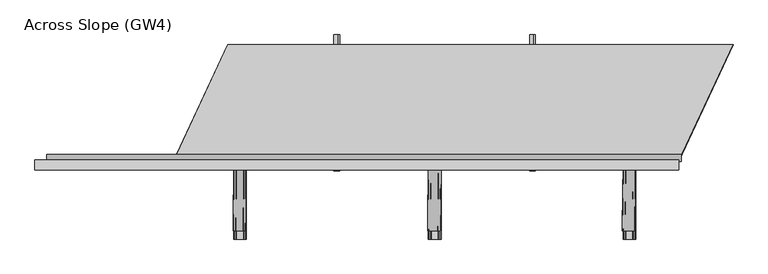
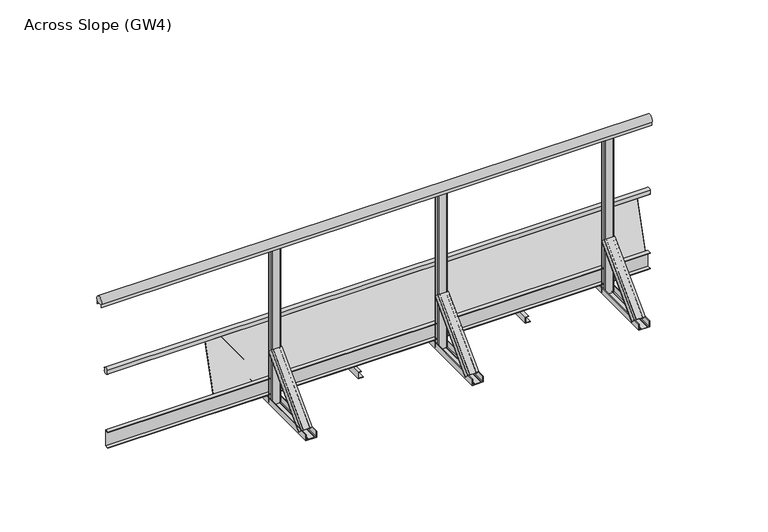
"""IFC4 building model written with IfcOpenShell, lengths in millimetres: proxy geometry, Across Slope (GW4)."""

import ifcopenshell
import ifcopenshell.guid

model = None  # the IFC model being written
_history = None  # IfcOwnerHistory: only IFC2X3 demands one
_inside = {}  # id of a spatial element -> (the spatial element, [elements in it])
_under = {}  # id of a project, library or spatial element -> (it, [spatial elements below it])
_declared = {}  # id of a project -> (the project, [libraries it declares])
_typed = {}  # id of a type object -> (the type object, [elements of that type])
_made_of = {}  # id of a material, layer set ... -> (it, [elements and type objects made of it])


def new_model(schema):
    """Start an empty IFC model of exactly this schema.

    Asked for "IFC4X3", IfcOpenShell would pick the latest addendum, in which some entities
    have other attributes; the version numbers below select the first issue.
    IFC2X3 requires an IfcOwnerHistory on every rooted entity: one is made here for all.
    """
    global model, _history
    if schema == "IFC4X3":
        model = ifcopenshell.file(schema_version=(4, 3, 0, 0))
    else:
        model = ifcopenshell.file(schema=schema)
    _inside.clear()
    _under.clear()
    _declared.clear()
    _typed.clear()
    _made_of.clear()
    _history = None
    if model.schema == "IFC2X3":
        org = make("IfcOrganization", Name="unknown")
        user = make(
            "IfcPersonAndOrganization",
            ThePerson=make("IfcPerson", FamilyName="unknown"),
            TheOrganization=org,
        )
        app = make(
            "IfcApplication",
            ApplicationDeveloper=org,
            Version="unknown",
            ApplicationFullName="unknown",
            ApplicationIdentifier="unknown",
        )
        _history = make(
            "IfcOwnerHistory",
            OwningUser=user,
            OwningApplication=app,
            ChangeAction="ADDED",
            CreationDate=0,
        )
    return model


def make(cls, **values):
    """One entity of the class cls with the attributes given. An attribute that is None is left unset."""
    return model.create_entity(
        cls, **{name: value for name, value in values.items() if value is not None}
    )


def rooted(cls, **values):
    """An entity with a GlobalId (a new one), such as an element, a storey or a relation."""
    return make(cls, GlobalId=ifcopenshell.guid.new(), OwnerHistory=_history, **values)


def si_unit(unit_type, name, prefix=None):
    """IfcSIUnit, for example si_unit("LENGTHUNIT", "METRE", prefix="MILLI")."""
    return make("IfcSIUnit", UnitType=unit_type, Prefix=prefix, Name=name)


def assignment(units):
    """IfcUnitAssignment: the units of a project."""
    return None if units is None else make("IfcUnitAssignment", Units=units)


def point(xyz):
    """IfcCartesianPoint."""
    return None if xyz is None else make("IfcCartesianPoint", Coordinates=xyz)


def direction(xyz):
    """IfcDirection."""
    return None if xyz is None else make("IfcDirection", DirectionRatios=xyz)


def frame(location, z_axis=None, x_axis=None):
    """IfcAxis2Placement3D, a coordinate frame: its origin and axes. An axis left out is left unset."""
    return make(
        "IfcAxis2Placement3D",
        Location=point(location),
        Axis=direction(z_axis),
        RefDirection=direction(x_axis),
    )


def frame_2d(location, x_axis=None):
    """IfcAxis2Placement2D, a coordinate frame in the plane: its origin and x axis."""
    return make(
        "IfcAxis2Placement2D", Location=point(location), RefDirection=direction(x_axis)
    )


def origin():
    """The frame at (0, 0, 0) with its axes left unset."""
    return frame((0.0, 0.0, 0.0))


def origin_with_axes():
    """The frame at (0, 0, 0) with the z axis (0, 0, 1) and the x axis (1, 0, 0) written out."""
    return frame((0.0, 0.0, 0.0), z_axis=(0.0, 0.0, 1.0), x_axis=(1.0, 0.0, 0.0))


def place(relative_to, where):
    """IfcLocalPlacement: puts the frame where relative to a parent placement (None: the world)."""
    return make(
        "IfcLocalPlacement", PlacementRelTo=relative_to, RelativePlacement=where
    )


def context(
    kind, dimensions, precision=None, world=None, true_north=None, identifier=None
):
    """IfcGeometricRepresentationContext, for example the 3D "Model" context."""
    return make(
        "IfcGeometricRepresentationContext",
        ContextIdentifier=identifier,
        ContextType=kind,
        CoordinateSpaceDimension=dimensions,
        Precision=precision,
        WorldCoordinateSystem=world,
        TrueNorth=true_north,
    )


def project(units=None, contexts=None):
    """IfcProject with its units and contexts."""
    return rooted(
        "IfcProject",
        Name="project",
        RepresentationContexts=contexts,
        UnitsInContext=assignment(units),
    )


def spatial(cls, under=None, at=None, **own):
    """A site, building, storey or space (cls), placed at a placement, below another one or the project."""
    s = rooted(cls, ObjectPlacement=at, **own)
    if under is not None:
        _under.setdefault(under.id(), (under, []))[1].append(s)
    return s


def polyline(points):
    """IfcPolyline through the points."""
    return make("IfcPolyline", Points=[point(p) for p in points])


def circle_curve(where, radius):
    """IfcCircle in the frame where."""
    return make("IfcCircle", Position=where, Radius=radius)


def trimmed(basis, trim1, trim2, sense, master):
    """IfcTrimmedCurve: the piece of a basis curve between two trims."""
    return make(
        "IfcTrimmedCurve",
        BasisCurve=basis,
        Trim1=trim1,
        Trim2=trim2,
        SenseAgreement=sense,
        MasterRepresentation=master,
    )


def segment(curve, same_sense, transition):
    """IfcCompositeCurveSegment."""
    return make(
        "IfcCompositeCurveSegment",
        Transition=transition,
        SameSense=same_sense,
        ParentCurve=curve,
    )


def composite_curve(segments, self_intersect=None):
    """IfcCompositeCurve: segments joined end to end."""
    return make("IfcCompositeCurve", Segments=segments, SelfIntersect=self_intersect)


def outline(outer, holes=None, kind="AREA"):
    """IfcArbitraryClosedProfileDef: a profile drawn as a closed curve; with holes, ...WithVoids."""
    if holes is None:
        return make("IfcArbitraryClosedProfileDef", ProfileType=kind, OuterCurve=outer)
    return make(
        "IfcArbitraryProfileDefWithVoids",
        ProfileType=kind,
        OuterCurve=outer,
        InnerCurves=holes,
    )


def extrude(swept, where, along, depth):
    """IfcExtrudedAreaSolid: the profile swept, set in the frame where, extruded along a direction by depth."""
    return make(
        "IfcExtrudedAreaSolid",
        SweptArea=swept,
        Position=where,
        ExtrudedDirection=direction(along),
        Depth=depth,
    )


def shape(context_of_items, identifier, shape_type, items):
    """IfcShapeRepresentation: the items that make up one representation, for example the "Body"."""
    return make(
        "IfcShapeRepresentation",
        ContextOfItems=context_of_items,
        RepresentationIdentifier=identifier,
        RepresentationType=shape_type,
        Items=items,
    )


def source(mapping_origin, context_of_items, identifier, shape_type, items):
    """IfcRepresentationMap: a shape defined once, which mapped items show again and again."""
    return make(
        "IfcRepresentationMap",
        MappingOrigin=mapping_origin,
        MappedRepresentation=shape(context_of_items, identifier, shape_type, items),
    )


def transform(
    local_origin,
    x_axis=None,
    y_axis=None,
    z_axis=None,
    scale=None,
    scale2=None,
    scale3=None,
    uniform=True,
):
    """IfcCartesianTransformationOperator3D, or its non-uniform kind. x_axis, y_axis, z_axis: its Axis1, 2, 3."""
    if uniform:
        return make(
            "IfcCartesianTransformationOperator3D",
            Axis1=direction(x_axis),
            Axis2=direction(y_axis),
            LocalOrigin=point(local_origin),
            Scale=scale,
            Axis3=direction(z_axis),
        )
    return make(
        "IfcCartesianTransformationOperator3DnonUniform",
        Axis1=direction(x_axis),
        Axis2=direction(y_axis),
        LocalOrigin=point(local_origin),
        Scale=scale,
        Axis3=direction(z_axis),
        Scale2=scale2,
        Scale3=scale3,
    )


def mapped(mapping_source, mapping_target):
    """IfcMappedItem: shows the shape of a source again, moved by a transform."""
    return make(
        "IfcMappedItem", MappingSource=mapping_source, MappingTarget=mapping_target
    )


def made_of(thing, what):
    """Note that an element or type object is made of a material, layer set ...; save() writes the relation."""
    if what is not None:
        _made_of.setdefault(what.id(), (what, []))[1].append(thing)
    return thing


def element(
    cls,
    number,
    at=None,
    inside=None,
    cuts=None,
    type_object=None,
    material=None,
    context=None,
    identifier="Body",
    shape_type=None,
    held_by="IfcProductDefinitionShape",
    body=None,
    shapes=None,
    **own,
):
    """One element of the class cls, such as IfcWall. Its Tag is "e" and its number.

    at: its placement. inside: the storey or other place that contains it. cuts: it is an
    opening in that element (IfcRelVoidsElement). A single representation is given by context,
    identifier, shape_type and body (its items); several are given by shapes. held_by: the class
    of the entity that holds the representations. save() writes the other relations.
    """
    e = rooted(cls, Tag="e%d" % number, ObjectPlacement=at, **own)
    if body is not None:
        shapes = [shape(context, identifier, shape_type, body)]
    if shapes is not None:
        e.Representation = make(held_by, Representations=shapes)
    if inside is not None:
        _inside.setdefault(inside.id(), (inside, []))[1].append(e)
    if cuts is not None:
        rooted(
            "IfcRelVoidsElement", RelatingBuildingElement=cuts, RelatedOpeningElement=e
        )
    if type_object is not None:
        _typed.setdefault(type_object.id(), (type_object, []))[1].append(e)
    return made_of(e, material)


def aggregate(whole, parts):
    """IfcRelAggregates: a whole, such as a stair, and the parts it consists of."""
    return rooted("IfcRelAggregates", RelatingObject=whole, RelatedObjects=parts)


def save(model, path):
    """Write the relations noted so far, then the file.

    IfcRelAggregates (storeys below a building ...), IfcRelContainedInSpatialStructure (elements
    in a storey), IfcRelDefinesByType, IfcRelAssociatesMaterial and IfcRelDeclares: one each for
    every whole, place, type object, material and project.
    """
    for whole, parts in _under.values():
        aggregate(whole, parts)
    for where, things in _inside.values():
        rooted(
            "IfcRelContainedInSpatialStructure",
            RelatedElements=things,
            RelatingStructure=where,
        )
    for kind, things in _typed.values():
        rooted("IfcRelDefinesByType", RelatedObjects=things, RelatingType=kind)
    for what, things in _made_of.values():
        rooted("IfcRelAssociatesMaterial", RelatedObjects=things, RelatingMaterial=what)
    for by, libraries in _declared.values():
        rooted("IfcRelDeclares", RelatingContext=by, RelatedDefinitions=libraries)
    model.write(path)


def plane_surface(at):
    """IfcPlane: the flat surface through the origin of the frame at, square to its z axis."""
    return make("IfcPlane", Position=at)


def extruded_surface(curve, direction_of_extrusion, depth):
    """IfcSurfaceOfLinearExtrusion: the curve pushed along a direction by depth."""
    return make(
        "IfcSurfaceOfLinearExtrusion",
        SweptCurve=make("IfcArbitraryOpenProfileDef", ProfileType="CURVE", Curve=curve),
        ExtrudedDirection=direction(direction_of_extrusion),
        Depth=depth,
    )


def advanced_brep(points, edges, surfaces, faces):
    """IfcAdvancedBrep: a solid bounded by faces that lie on surfaces and meet in shared edges.

    An edge is (start, end): straight between two places in points (the first is 0);
    or (start, end, curve); or (start, end, curve, False) where it runs against its curve.
    A face is (place in surfaces, loops), or (place, loops, False) where it looks against
    its surface's normal. A loop lists edges by number (the first is 1), with a minus sign
    where the edge is run from its end to its start. The first loop is the outer one.
    """
    corners = [point(p) for p in points]
    vertices = [make("IfcVertexPoint", VertexGeometry=c) for c in corners]
    made = []
    for start, end, *more in edges:
        made.append(
            make(
                "IfcEdgeCurve",
                EdgeStart=vertices[start],
                EdgeEnd=vertices[end],
                EdgeGeometry=more[0] if more else make("IfcPolyline", Points=[corners[start], corners[end]]),
                SameSense=more[1] if len(more) > 1 else True,
            )
        )
    hull = []
    for where, loops, *sense in faces:
        bounds = []
        for j, loop in enumerate(loops):
            ring = [make("IfcOrientedEdge", EdgeElement=made[abs(k) - 1], Orientation=k > 0) for k in loop]
            bounds.append(
                make(
                    "IfcFaceOuterBound" if j == 0 else "IfcFaceBound",
                    Bound=make("IfcEdgeLoop", EdgeList=ring),
                    Orientation=True,
                )
            )
        hull.append(make("IfcAdvancedFace", Bounds=bounds, FaceSurface=surfaces[where], SameSense=sense[0] if sense else True))
    return make("IfcAdvancedBrep", Outer=make("IfcClosedShell", CfsFaces=hull))


def across_slope_gw4_8147a9d6(model_context):
    return source(origin(), model_context, "Body", "SolidModel", [
        extrude(outline(polyline([(-622.0, 63.0), (-622.0, 66.0), (-600.0, 66.0), (-600.0, 160.0), (-622.0, 160.0), (-622.0, 163.0), (-597.0, 163.0), (-597.0, 63.0), (-622.0, 63.0)])), frame((-660.0, 0.0, 0.0), z_axis=(1.0, 0.0, 0.0), x_axis=(0.0, 1.0, 0.0)), (0.0, 0.0, 1.0), 3252.9381096),
        extrude(outline(composite_curve([segment(trimmed(circle_curve(frame_2d((-584.287505, 528.0)), 20.0), [point((-565.7, 520.617273))], [point((-600.0, 515.6259343))], False, "CARTESIAN"), True, "CONTINUOUS"), segment(polyline([(-600.0, 515.6259343), (-600.0, 540.3740657)]), True, "CONTINUOUS"), segment(trimmed(circle_curve(frame_2d((-584.287505, 528.0)), 20.0), [point((-600.0, 540.3740657))], [point((-565.7, 535.382727))], False, "CARTESIAN"), True, "CONTINUOUS"), segment(polyline([(-565.7, 535.382727), (-569.7, 535.382727), (-569.7, 520.617273), (-565.7, 520.617273)]), True, "CONTINUOUS")], self_intersect=False)), frame((-650.0, 0.0, 0.0), z_axis=(1.0, 0.0, 0.0), x_axis=(0.0, 1.0, 0.0)), (0.0, 0.0, 1.0), 3257.9381096),
        extrude(outline(composite_curve([segment(trimmed(circle_curve(frame_2d((-619.0, 1015.0)), 25.0), [point((-640.0, 1001.43534))], [point((-598.0, 1001.43534))], False, "CARTESIAN"), True, "CONTINUOUS"), segment(polyline([(-598.0, 1001.43534), (-598.0, 983.0), (-599.0, 983.0), (-599.0, 998.0), (-639.0, 998.0), (-639.0, 983.0), (-640.0, 983.0), (-640.0, 1001.43534)]), True, "CONTINUOUS")], self_intersect=False)), frame((-710.0, 0.0, 0.0), z_axis=(1.0, 0.0, 0.0), x_axis=(0.0, 1.0, 0.0)), (0.0, 0.0, 1.0), 3302.9381096),
        extrude(outline(polyline([(2e-07, 1858.2035822), (2.0000002, 1858.2035822), (2.0000002, 1830.2035822), (38.0000002, 1830.2035822), (38.0000002, 1848.2035822), (40.0000002, 1848.2035822), (40.0000002, 1828.2035822), (2e-07, 1828.2035822), (2e-07, 1858.2035822)])), frame((0.0, -650.0, 0.0), z_axis=(0.0, 1.0, 0.0), x_axis=(0.0, 0.0, 1.0)), (0.0, 0.0, 1.0), 700.0),
        extrude(outline(polyline([(2e-07, 854.7345274), (2.0000002, 854.7345274), (2.0000002, 826.7345274), (38.0000002, 826.7345274), (38.0000002, 844.7345274), (40.0000002, 844.7345274), (40.0000002, 824.7345274), (2e-07, 824.7345274), (2e-07, 854.7345274)])), frame((0.0, -650.0, 0.0), z_axis=(0.0, 1.0, 0.0), x_axis=(0.0, 0.0, 1.0)), (0.0, 0.0, 1.0), 700.0),
        extrude(outline(composite_curve([segment(trimmed(circle_curve(frame_2d((1364.4690548, -605.0)), 5.0), [point((1364.4690548, -600.0))], [point((1369.4690548, -605.0))], False, "CARTESIAN"), True, "CONTINUOUS"), segment(polyline([(1369.4690548, -605.0), (1369.4690548, -633.0)]), True, "CONTINUOUS"), segment(trimmed(circle_curve(frame_2d((1364.4690548, -633.0)), 5.0), [point((1369.4690548, -633.0))], [point((1364.4690548, -638.0))], False, "CARTESIAN"), True, "CONTINUOUS"), segment(polyline([(1364.4690548, -638.0), (1318.4690548, -638.0)]), True, "CONTINUOUS"), segment(trimmed(circle_curve(frame_2d((1318.4690548, -633.0)), 5.0), [point((1318.4690548, -638.0))], [point((1313.4690548, -633.0))], False, "CARTESIAN"), True, "CONTINUOUS"), segment(polyline([(1313.4690548, -633.0), (1313.4690548, -605.0)]), True, "CONTINUOUS"), segment(trimmed(circle_curve(frame_2d((1318.4690548, -605.0)), 5.0), [point((1313.4690548, -605.0))], [point((1318.4690548, -600.0))], False, "CARTESIAN"), True, "CONTINUOUS"), segment(polyline([(1318.4690548, -600.0), (1364.4690548, -600.0)]), True, "CONTINUOUS")], self_intersect=False)), origin_with_axes(), (0.0, 0.0, 1.0), 998.0),
        advanced_brep(
        [(1305.9690548, -956.2087394, 38.0), (1305.9690548, -930.3993419, 12.1906025), (1308.9690548, -930.3993419, 12.1906025), (1308.9690548, -954.0874191, 35.8786797), (1318.9690548, -954.0874191, 35.8786797), (1318.9690548, -952.3196521, 34.1109127), (1319.9690548, -952.3196521, 34.1109127), (1319.9690548, -954.0874191, 35.8786797), (1356.9690548, -954.0874191, 35.8786797), (1356.9690548, -952.3196521, 34.1109127), (1357.9690548, -952.3196521, 34.1109127), (1357.9690548, -954.0874191, 35.8786797), (1367.9690548, -954.0874191, 35.8786797), (1367.9690548, -930.3993419, 12.1906025), (1370.9690548, -930.3993419, 12.1906025), (1370.9690548, -956.2087394, 38.0), (1308.9690548, -638.0106879, 356.1980516), (1373.9690548, -638.0106879, 356.1980516), (1373.9690548, -612.2012904, 330.3886541), (1370.9690548, -612.2012904, 330.3886541), (1370.9690548, -635.8893676, 354.0767312), (1360.9690548, -635.8893676, 354.0767312), (1360.9690548, -634.1216006, 352.3089643), (1359.9690548, -634.1216006, 352.3089643), (1359.9690548, -635.8893676, 354.0767312), (1322.9690548, -635.8893676, 354.0767312), (1322.9690548, -634.1216006, 352.3089643), (1321.9690548, -634.1216006, 352.3089643), (1321.9690548, -635.8893676, 354.0767312), (1311.9690548, -635.8893676, 354.0767312), (1311.9690548, -612.2012904, 330.3886541), (1308.9690548, -612.2012904, 330.3886541)],
        [
            (0, 1),
            (1, 2, circle_curve(frame((1307.4690548, -930.3993419, 12.1906025), z_axis=(0.0, -0.7071067811865434, -0.7071067811865518), x_axis=(0.0, 0.7071067811865518, -0.7071067811865434)), 1.5)),
            (2, 3),
            (3, 4),
            (4, 5),
            (5, 6, circle_curve(frame((1319.4690548, -952.3196521, 34.1109127), z_axis=(0.0, -0.7071067811865434, -0.7071067811865518), x_axis=(0.0, 0.7071067811865518, -0.7071067811865434)), 0.5)),
            (6, 7),
            (7, 8),
            (8, 9),
            (9, 10, circle_curve(frame((1357.4690548, -952.3196521, 34.1109127), z_axis=(0.0, -0.7071067811865434, -0.7071067811865518), x_axis=(0.0, 0.7071067811865518, -0.7071067811865434)), 0.5)),
            (10, 11),
            (11, 12),
            (12, 13),
            (13, 14, circle_curve(frame((1369.4690548, -930.3993419, 12.1906025), z_axis=(0.0, -0.7071067811865434, -0.7071067811865518), x_axis=(0.0, 0.7071067811865518, -0.7071067811865434)), 1.5)),
            (14, 15),
            (15, 0),
            (16, 17),
            (17, 18),
            (18, 19, circle_curve(frame((1372.4690548, -612.2012904, 330.3886541), z_axis=(0.0, 0.7071067811865434, 0.7071067811865518), x_axis=(0.0, 0.7071067811865518, -0.7071067811865434)), 1.5)),
            (19, 20),
            (20, 21),
            (21, 22),
            (22, 23, circle_curve(frame((1360.4690548, -634.1216006, 352.3089643), z_axis=(0.0, 0.7071067811865434, 0.7071067811865518), x_axis=(0.0, 0.7071067811865518, -0.7071067811865434)), 0.5)),
            (23, 24),
            (24, 25),
            (25, 26),
            (26, 27, circle_curve(frame((1322.4690548, -634.1216006, 352.3089643), z_axis=(0.0, 0.7071067811865434, 0.7071067811865518), x_axis=(0.0, 0.7071067811865518, -0.7071067811865434)), 0.5)),
            (27, 28),
            (28, 29),
            (29, 30),
            (30, 31, circle_curve(frame((1310.4690548, -612.2012904, 330.3886541), z_axis=(0.0, 0.7071067811865434, 0.7071067811865518), x_axis=(0.0, 0.7071067811865518, -0.7071067811865434)), 1.5)),
            (31, 16),
            (31, 1),
            (0, 16),
            (30, 2),
            (29, 3),
            (28, 4),
            (27, 5),
            (26, 6),
            (25, 7),
            (24, 8),
            (23, 9),
            (22, 10),
            (21, 11),
            (20, 12),
            (19, 13),
            (18, 14),
            (17, 15),
        ],
        [
            plane_surface(frame((1338.4690548, -947.9886231, 29.7798837), z_axis=(0.0, -0.7071067811865431, -0.7071067811865519), x_axis=(0.0, 0.7071067811865519, -0.7071067811865431))),
            plane_surface(frame((1341.4690548, -629.7905716, 347.9779352), z_axis=(0.0, 0.7071067811865432, 0.7071067811865518), x_axis=(0.0, 0.7071067811865518, -0.7071067811865432))),
            plane_surface(frame((1308.9690548, -625.1059891, 343.2933528), z_axis=(-0.9999777785184911, 0.004713940454842056, 0.00471394045484199), x_axis=(0.0, 0.7071067811865519, -0.7071067811865431))),
            extruded_surface(trimmed(circle_curve(frame((1310.4690548, -612.2012904, 330.3886541), z_axis=(0.0, -0.7071067811865434, -0.7071067811865518), x_axis=(0.0, 0.7071067811865518, -0.7071067811865434)), 1.5), [point((1308.9690548, -612.2012904, 330.3886541))], [point((1311.9690548, -612.2012904, 330.3886541))], True, "CARTESIAN"), (-3.0, -318.1980515, -318.1980516), 450.0099999115941),
            plane_surface(frame((1311.9690548, -624.045329, 342.2326926), z_axis=(0.9999777785184913, -0.004713940454842056, -0.004713940454841989), x_axis=(0.0, -0.707106781186552, 0.7071067811865432))),
            plane_surface(frame((1316.9690548, -635.8893676, 354.0767312), z_axis=(0.0, 0.7071067811865522, -0.7071067811865428), x_axis=(1.0, 0.0, 0.0))),
            plane_surface(frame((1321.9690548, -635.0054841, 353.1928478), z_axis=(-0.9999777785184911, 0.004713940454842032, 0.004713940454842015), x_axis=(0.0, 0.7071067811865557, -0.7071067811865394))),
            extruded_surface(trimmed(circle_curve(frame((1322.4690548, -634.1216006, 352.3089643), z_axis=(0.0, -0.7071067811865434, -0.7071067811865518), x_axis=(0.0, 0.7071067811865518, -0.7071067811865434)), 0.5), [point((1321.9690548, -634.1216006, 352.3089643))], [point((1322.9690548, -634.1216006, 352.3089643))], True, "CARTESIAN"), (-3.0, -318.1980515, -318.1980516), 450.0099999115941),
            plane_surface(frame((1322.9690548, -635.0054841, 353.1928478), z_axis=(0.9999777785184911, -0.004713940454842046, -0.004713940454842029), x_axis=(0.0, -0.7071067811865557, 0.7071067811865394))),
            plane_surface(frame((1341.4690548, -635.8893676, 354.0767312), z_axis=(0.0, 0.7071067811865522, -0.7071067811865428), x_axis=(1.0, 0.0, 0.0))),
            plane_surface(frame((1359.9690548, -635.0054841, 353.1928478), z_axis=(-0.9999777785184911, 0.004713940454842039, 0.004713940454842022), x_axis=(0.0, 0.7071067811865557, -0.7071067811865394))),
            extruded_surface(trimmed(circle_curve(frame((1360.4690548, -634.1216006, 352.3089643), z_axis=(0.0, -0.7071067811865434, -0.7071067811865518), x_axis=(0.0, 0.7071067811865518, -0.7071067811865434)), 0.5), [point((1359.9690548, -634.1216006, 352.3089643))], [point((1360.9690548, -634.1216006, 352.3089643))], True, "CARTESIAN"), (-3.0, -318.1980515, -318.1980516), 450.0099999115941),
            plane_surface(frame((1360.9690548, -635.0054841, 353.1928478), z_axis=(0.9999777785184911, -0.004713940454842066, -0.004713940454841993), x_axis=(0.0, -0.7071067811865515, 0.7071067811865436))),
            plane_surface(frame((1365.9690548, -635.8893676, 354.0767312), z_axis=(0.0, 0.707106781186552, -0.707106781186543), x_axis=(1.0, 0.0, 0.0))),
            plane_surface(frame((1370.9690548, -624.045329, 342.2326926), z_axis=(-0.9999777785184913, 0.004713940454842063, 0.004713940454841996), x_axis=(0.0, 0.707106781186552, -0.7071067811865432))),
            extruded_surface(trimmed(circle_curve(frame((1372.4690548, -612.2012904, 330.3886541), z_axis=(0.0, -0.7071067811865434, -0.7071067811865518), x_axis=(0.0, 0.7071067811865518, -0.7071067811865434)), 1.5), [point((1370.9690548, -612.2012904, 330.3886541))], [point((1373.9690548, -612.2012904, 330.3886541))], True, "CARTESIAN"), (-3.0, -318.1980515, -318.1980516), 450.0099999115941),
            plane_surface(frame((1373.9690548, -625.1059891, 343.2933528), z_axis=(0.9999777785184911, -0.004713940454842065, -0.0047139404548419955), x_axis=(0.0, -0.7071067811865517, 0.7071067811865434))),
            plane_surface(frame((1341.4690548, -638.0106879, 356.1980516), z_axis=(0.0, -0.7071067811865523, 0.7071067811865427), x_axis=(-1.0, 0.0, 0.0))),
        ],
        [
            (0, [[1, 2, 3, 4, 5, 6, 7, 8, 9, 10, 11, 12, 13, 14, 15, 16]]),
            (1, [[17, 18, 19, 20, 21, 22, 23, 24, 25, 26, 27, 28, 29, 30, 31, 32]]),
            (2, [[-32, 33, -1, 34]]),
            (3, [[-31, 35, -2, -33]]),
            (4, [[-30, 36, -3, -35]]),
            (5, [[-29, 37, -4, -36]]),
            (6, [[-28, 38, -5, -37]]),
            (7, [[-27, 39, -6, -38]]),
            (8, [[-26, 40, -7, -39]]),
            (9, [[-25, 41, -8, -40]]),
            (10, [[-24, 42, -9, -41]]),
            (11, [[-23, 43, -10, -42]]),
            (12, [[-22, 44, -11, -43]]),
            (13, [[-21, 45, -12, -44]]),
            (14, [[-20, 46, -13, -45]]),
            (15, [[-19, 47, -14, -46]]),
            (16, [[-18, 48, -15, -47]]),
            (17, [[-17, -34, -16, -48]]),
        ],
    ),
        extrude(outline(composite_curve([segment(polyline([(0.0, 1308.9690548), (0.0, 1373.9690548), (36.5, 1373.9690548)]), True, "CONTINUOUS"), segment(trimmed(circle_curve(frame_2d((36.5, 1372.4690548)), 1.5), [point((36.5, 1373.9690548))], [point((36.5, 1370.9690548))], False, "CARTESIAN"), True, "CONTINUOUS"), segment(polyline([(36.5, 1370.9690548), (3.0, 1370.9690548), (3.0, 1360.9690548), (5.5, 1360.9690548)]), True, "CONTINUOUS"), segment(trimmed(circle_curve(frame_2d((5.5, 1360.4690548)), 0.5), [point((5.5, 1360.9690548))], [point((5.5, 1359.9690548))], False, "CARTESIAN"), True, "CONTINUOUS"), segment(polyline([(5.5, 1359.9690548), (3.0, 1359.9690548), (3.0, 1322.9690548), (5.5, 1322.9690548)]), True, "CONTINUOUS"), segment(trimmed(circle_curve(frame_2d((5.5, 1322.4690548)), 0.5), [point((5.5, 1322.9690548))], [point((5.5, 1321.9690548))], False, "CARTESIAN"), True, "CONTINUOUS"), segment(polyline([(5.5, 1321.9690548), (3.0, 1321.9690548), (3.0, 1311.9690548), (36.5, 1311.9690548)]), True, "CONTINUOUS"), segment(trimmed(circle_curve(frame_2d((36.5, 1310.4690548)), 1.5), [point((36.5, 1311.9690548))], [point((36.5, 1308.9690548))], False, "CARTESIAN"), True, "CONTINUOUS"), segment(polyline([(36.5, 1308.9690548), (0.0, 1308.9690548)]), True, "CONTINUOUS")], self_intersect=False)), frame((0.0, -1000.0, 0.0), z_axis=(0.0, 1.0, 0.0), x_axis=(0.0, 0.0, 1.0)), (0.0, 0.0, 1.0), 1000.0),
        extrude(outline(composite_curve([segment(trimmed(circle_curve(frame_2d((2363.4381096, -605.0)), 5.0), [point((2363.4381096, -600.0))], [point((2368.4381096, -605.0))], False, "CARTESIAN"), True, "CONTINUOUS"), segment(polyline([(2368.4381096, -605.0), (2368.4381096, -633.0)]), True, "CONTINUOUS"), segment(trimmed(circle_curve(frame_2d((2363.4381096, -633.0)), 5.0), [point((2368.4381096, -633.0))], [point((2363.4381096, -638.0))], False, "CARTESIAN"), True, "CONTINUOUS"), segment(polyline([(2363.4381096, -638.0), (2317.4381096, -638.0)]), True, "CONTINUOUS"), segment(trimmed(circle_curve(frame_2d((2317.4381096, -633.0)), 5.0), [point((2317.4381096, -638.0))], [point((2312.4381096, -633.0))], False, "CARTESIAN"), True, "CONTINUOUS"), segment(polyline([(2312.4381096, -633.0), (2312.4381096, -605.0)]), True, "CONTINUOUS"), segment(trimmed(circle_curve(frame_2d((2317.4381096, -605.0)), 5.0), [point((2312.4381096, -605.0))], [point((2317.4381096, -600.0))], False, "CARTESIAN"), True, "CONTINUOUS"), segment(polyline([(2317.4381096, -600.0), (2363.4381096, -600.0)]), True, "CONTINUOUS")], self_intersect=False)), origin_with_axes(), (0.0, 0.0, 1.0), 998.0),
        advanced_brep(
        [(2304.9381096, -956.2087394, 38.0), (2304.9381096, -930.3993419, 12.1906025), (2307.9381096, -930.3993419, 12.1906025), (2307.9381096, -954.0874191, 35.8786797), (2317.9381096, -954.0874191, 35.8786797), (2317.9381096, -952.3196521, 34.1109127), (2318.9381096, -952.3196521, 34.1109127), (2318.9381096, -954.0874191, 35.8786797), (2355.9381096, -954.0874191, 35.8786797), (2355.9381096, -952.3196521, 34.1109127), (2356.9381096, -952.3196521, 34.1109127), (2356.9381096, -954.0874191, 35.8786797), (2366.9381096, -954.0874191, 35.8786797), (2366.9381096, -930.3993419, 12.1906025), (2369.9381096, -930.3993419, 12.1906025), (2369.9381096, -956.2087394, 38.0), (2307.9381096, -638.0106879, 356.1980516), (2372.9381096, -638.0106879, 356.1980516), (2372.9381096, -612.2012904, 330.3886541), (2369.9381096, -612.2012904, 330.3886541), (2369.9381096, -635.8893676, 354.0767312), (2359.9381096, -635.8893676, 354.0767312), (2359.9381096, -634.1216006, 352.3089643), (2358.9381096, -634.1216006, 352.3089643), (2358.9381096, -635.8893676, 354.0767312), (2321.9381096, -635.8893676, 354.0767312), (2321.9381096, -634.1216006, 352.3089643), (2320.9381096, -634.1216006, 352.3089643), (2320.9381096, -635.8893676, 354.0767312), (2310.9381096, -635.8893676, 354.0767312), (2310.9381096, -612.2012904, 330.3886541), (2307.9381096, -612.2012904, 330.3886541)],
        [
            (0, 1),
            (1, 2, circle_curve(frame((2306.4381096, -930.3993419, 12.1906025), z_axis=(0.0, -0.7071067811865434, -0.7071067811865518), x_axis=(0.0, 0.7071067811865518, -0.7071067811865434)), 1.5)),
            (2, 3),
            (3, 4),
            (4, 5),
            (5, 6, circle_curve(frame((2318.4381096, -952.3196521, 34.1109127), z_axis=(0.0, -0.7071067811865434, -0.7071067811865518), x_axis=(0.0, 0.7071067811865518, -0.7071067811865434)), 0.5)),
            (6, 7),
            (7, 8),
            (8, 9),
            (9, 10, circle_curve(frame((2356.4381096, -952.3196521, 34.1109127), z_axis=(0.0, -0.7071067811865434, -0.7071067811865518), x_axis=(0.0, 0.7071067811865518, -0.7071067811865434)), 0.5)),
            (10, 11),
            (11, 12),
            (12, 13),
            (13, 14, circle_curve(frame((2368.4381096, -930.3993419, 12.1906025), z_axis=(0.0, -0.7071067811865434, -0.7071067811865518), x_axis=(0.0, 0.7071067811865518, -0.7071067811865434)), 1.5)),
            (14, 15),
            (15, 0),
            (16, 17),
            (17, 18),
            (18, 19, circle_curve(frame((2371.4381096, -612.2012904, 330.3886541), z_axis=(0.0, 0.7071067811865434, 0.7071067811865518), x_axis=(0.0, 0.7071067811865518, -0.7071067811865434)), 1.5)),
            (19, 20),
            (20, 21),
            (21, 22),
            (22, 23, circle_curve(frame((2359.4381096, -634.1216006, 352.3089643), z_axis=(0.0, 0.7071067811865434, 0.7071067811865518), x_axis=(0.0, 0.7071067811865518, -0.7071067811865434)), 0.5)),
            (23, 24),
            (24, 25),
            (25, 26),
            (26, 27, circle_curve(frame((2321.4381096, -634.1216006, 352.3089643), z_axis=(0.0, 0.7071067811865434, 0.7071067811865518), x_axis=(0.0, 0.7071067811865518, -0.7071067811865434)), 0.5)),
            (27, 28),
            (28, 29),
            (29, 30),
            (30, 31, circle_curve(frame((2309.4381096, -612.2012904, 330.3886541), z_axis=(0.0, 0.7071067811865434, 0.7071067811865518), x_axis=(0.0, 0.7071067811865518, -0.7071067811865434)), 1.5)),
            (31, 16),
            (31, 1),
            (0, 16),
            (30, 2),
            (29, 3),
            (28, 4),
            (27, 5),
            (26, 6),
            (25, 7),
            (24, 8),
            (23, 9),
            (22, 10),
            (21, 11),
            (20, 12),
            (19, 13),
            (18, 14),
            (17, 15),
        ],
        [
            plane_surface(frame((2337.4381096, -947.9886231, 29.7798837), z_axis=(0.0, -0.7071067811865431, -0.7071067811865519), x_axis=(0.0, 0.7071067811865519, -0.7071067811865431))),
            plane_surface(frame((2340.4381096, -629.7905716, 347.9779352), z_axis=(0.0, 0.7071067811865432, 0.7071067811865518), x_axis=(0.0, 0.7071067811865518, -0.7071067811865432))),
            plane_surface(frame((2307.9381096, -625.1059891, 343.2933528), z_axis=(-0.9999777785184911, 0.004713940454842056, 0.00471394045484199), x_axis=(0.0, 0.7071067811865519, -0.7071067811865431))),
            extruded_surface(trimmed(circle_curve(frame((2309.4381096, -612.2012904, 330.3886541), z_axis=(0.0, -0.7071067811865434, -0.7071067811865518), x_axis=(0.0, 0.7071067811865518, -0.7071067811865434)), 1.5), [point((2307.9381096, -612.2012904, 330.3886541))], [point((2310.9381096, -612.2012904, 330.3886541))], True, "CARTESIAN"), (-3.0, -318.1980515, -318.1980516), 450.0099999115941),
            plane_surface(frame((2310.9381096, -624.045329, 342.2326926), z_axis=(0.9999777785184913, -0.004713940454842056, -0.004713940454841989), x_axis=(0.0, -0.707106781186552, 0.7071067811865432))),
            plane_surface(frame((2315.9381096, -635.8893676, 354.0767312), z_axis=(0.0, 0.7071067811865522, -0.7071067811865428), x_axis=(1.0, 0.0, 0.0))),
            plane_surface(frame((2320.9381096, -635.0054841, 353.1928478), z_axis=(-0.9999777785184911, 0.004713940454842032, 0.004713940454842015), x_axis=(0.0, 0.7071067811865557, -0.7071067811865394))),
            extruded_surface(trimmed(circle_curve(frame((2321.4381096, -634.1216006, 352.3089643), z_axis=(0.0, -0.7071067811865434, -0.7071067811865518), x_axis=(0.0, 0.7071067811865518, -0.7071067811865434)), 0.5), [point((2320.9381096, -634.1216006, 352.3089643))], [point((2321.9381096, -634.1216006, 352.3089643))], True, "CARTESIAN"), (-3.0, -318.1980515, -318.1980516), 450.0099999115941),
            plane_surface(frame((2321.9381096, -635.0054841, 353.1928478), z_axis=(0.9999777785184911, -0.004713940454842046, -0.004713940454842029), x_axis=(0.0, -0.7071067811865557, 0.7071067811865394))),
            plane_surface(frame((2340.4381096, -635.8893676, 354.0767312), z_axis=(0.0, 0.7071067811865522, -0.7071067811865428), x_axis=(1.0, 0.0, 0.0))),
            plane_surface(frame((2358.9381096, -635.0054841, 353.1928478), z_axis=(-0.9999777785184911, 0.004713940454842039, 0.004713940454842022), x_axis=(0.0, 0.7071067811865557, -0.7071067811865394))),
            extruded_surface(trimmed(circle_curve(frame((2359.4381096, -634.1216006, 352.3089643), z_axis=(0.0, -0.7071067811865434, -0.7071067811865518), x_axis=(0.0, 0.7071067811865518, -0.7071067811865434)), 0.5), [point((2358.9381096, -634.1216006, 352.3089643))], [point((2359.9381096, -634.1216006, 352.3089643))], True, "CARTESIAN"), (-3.0, -318.1980515, -318.1980516), 450.0099999115941),
            plane_surface(frame((2359.9381096, -635.0054841, 353.1928478), z_axis=(0.9999777785184911, -0.004713940454842066, -0.004713940454841993), x_axis=(0.0, -0.7071067811865515, 0.7071067811865436))),
            plane_surface(frame((2364.9381096, -635.8893676, 354.0767312), z_axis=(0.0, 0.707106781186552, -0.707106781186543), x_axis=(1.0, 0.0, 0.0))),
            plane_surface(frame((2369.9381096, -624.045329, 342.2326926), z_axis=(-0.9999777785184913, 0.004713940454842063, 0.004713940454841996), x_axis=(0.0, 0.707106781186552, -0.7071067811865432))),
            extruded_surface(trimmed(circle_curve(frame((2371.4381096, -612.2012904, 330.3886541), z_axis=(0.0, -0.7071067811865434, -0.7071067811865518), x_axis=(0.0, 0.7071067811865518, -0.7071067811865434)), 1.5), [point((2369.9381096, -612.2012904, 330.3886541))], [point((2372.9381096, -612.2012904, 330.3886541))], True, "CARTESIAN"), (-3.0, -318.1980515, -318.1980516), 450.0099999115941),
            plane_surface(frame((2372.9381096, -625.1059891, 343.2933528), z_axis=(0.9999777785184911, -0.004713940454842065, -0.0047139404548419955), x_axis=(0.0, -0.7071067811865517, 0.7071067811865434))),
            plane_surface(frame((2340.4381096, -638.0106879, 356.1980516), z_axis=(0.0, -0.7071067811865523, 0.7071067811865427), x_axis=(-1.0, 0.0, 0.0))),
        ],
        [
            (0, [[1, 2, 3, 4, 5, 6, 7, 8, 9, 10, 11, 12, 13, 14, 15, 16]]),
            (1, [[17, 18, 19, 20, 21, 22, 23, 24, 25, 26, 27, 28, 29, 30, 31, 32]]),
            (2, [[-32, 33, -1, 34]]),
            (3, [[-31, 35, -2, -33]]),
            (4, [[-30, 36, -3, -35]]),
            (5, [[-29, 37, -4, -36]]),
            (6, [[-28, 38, -5, -37]]),
            (7, [[-27, 39, -6, -38]]),
            (8, [[-26, 40, -7, -39]]),
            (9, [[-25, 41, -8, -40]]),
            (10, [[-24, 42, -9, -41]]),
            (11, [[-23, 43, -10, -42]]),
            (12, [[-22, 44, -11, -43]]),
            (13, [[-21, 45, -12, -44]]),
            (14, [[-20, 46, -13, -45]]),
            (15, [[-19, 47, -14, -46]]),
            (16, [[-18, 48, -15, -47]]),
            (17, [[-17, -34, -16, -48]]),
        ],
    ),
        extrude(outline(composite_curve([segment(polyline([(0.0, 2307.9381096), (0.0, 2372.9381096), (36.5, 2372.9381096)]), True, "CONTINUOUS"), segment(trimmed(circle_curve(frame_2d((36.5, 2371.4381096)), 1.5), [point((36.5, 2372.9381096))], [point((36.5, 2369.9381096))], False, "CARTESIAN"), True, "CONTINUOUS"), segment(polyline([(36.5, 2369.9381096), (3.0, 2369.9381096), (3.0, 2359.9381096), (5.5, 2359.9381096)]), True, "CONTINUOUS"), segment(trimmed(circle_curve(frame_2d((5.5, 2359.4381096)), 0.5), [point((5.5, 2359.9381096))], [point((5.5, 2358.9381096))], False, "CARTESIAN"), True, "CONTINUOUS"), segment(polyline([(5.5, 2358.9381096), (3.0, 2358.9381096), (3.0, 2321.9381096), (5.5, 2321.9381096)]), True, "CONTINUOUS"), segment(trimmed(circle_curve(frame_2d((5.5, 2321.4381096)), 0.5), [point((5.5, 2321.9381096))], [point((5.5, 2320.9381096))], False, "CARTESIAN"), True, "CONTINUOUS"), segment(polyline([(5.5, 2320.9381096), (3.0, 2320.9381096), (3.0, 2310.9381096), (36.5, 2310.9381096)]), True, "CONTINUOUS"), segment(trimmed(circle_curve(frame_2d((36.5, 2309.4381096)), 1.5), [point((36.5, 2310.9381096))], [point((36.5, 2307.9381096))], False, "CARTESIAN"), True, "CONTINUOUS"), segment(polyline([(36.5, 2307.9381096), (0.0, 2307.9381096)]), True, "CONTINUOUS")], self_intersect=False)), frame((0.0, -1000.0, 0.0), z_axis=(0.0, 1.0, 0.0), x_axis=(0.0, 0.0, 1.0)), (0.0, 0.0, 1.0), 1000.0),
        extrude(outline(composite_curve([segment(trimmed(circle_curve(frame_2d((365.5, -605.0)), 5.0), [point((365.5, -600.0))], [point((370.5, -605.0))], False, "CARTESIAN"), True, "CONTINUOUS"), segment(polyline([(370.5, -605.0), (370.5, -633.0)]), True, "CONTINUOUS"), segment(trimmed(circle_curve(frame_2d((365.5, -633.0)), 5.0), [point((370.5, -633.0))], [point((365.5, -638.0))], False, "CARTESIAN"), True, "CONTINUOUS"), segment(polyline([(365.5, -638.0), (319.5, -638.0)]), True, "CONTINUOUS"), segment(trimmed(circle_curve(frame_2d((319.5, -633.0)), 5.0), [point((319.5, -638.0))], [point((314.5, -633.0))], False, "CARTESIAN"), True, "CONTINUOUS"), segment(polyline([(314.5, -633.0), (314.5, -605.0)]), True, "CONTINUOUS"), segment(trimmed(circle_curve(frame_2d((319.5, -605.0)), 5.0), [point((314.5, -605.0))], [point((319.5, -600.0))], False, "CARTESIAN"), True, "CONTINUOUS"), segment(polyline([(319.5, -600.0), (365.5, -600.0)]), True, "CONTINUOUS")], self_intersect=False)), origin_with_axes(), (0.0, 0.0, 1.0), 998.0),
        advanced_brep(
        [(307.0, -956.2087394, 38.0), (307.0, -930.3993419, 12.1906025), (310.0, -930.3993419, 12.1906025), (310.0, -954.0874191, 35.8786797), (320.0, -954.0874191, 35.8786797), (320.0, -952.3196521, 34.1109127), (321.0, -952.3196521, 34.1109127), (321.0, -954.0874191, 35.8786797), (358.0, -954.0874191, 35.8786797), (358.0, -952.3196521, 34.1109127), (359.0, -952.3196521, 34.1109127), (359.0, -954.0874191, 35.8786797), (369.0, -954.0874191, 35.8786797), (369.0, -930.3993419, 12.1906025), (372.0, -930.3993419, 12.1906025), (372.0, -956.2087394, 38.0), (310.0, -638.0106879, 356.1980515), (375.0, -638.0106879, 356.1980515), (375.0, -612.2012904, 330.388654), (372.0, -612.2012904, 330.388654), (372.0, -635.8893676, 354.0767312), (362.0, -635.8893676, 354.0767312), (362.0, -634.1216006, 352.3089642), (361.0, -634.1216006, 352.3089642), (361.0, -635.8893676, 354.0767312), (324.0, -635.8893676, 354.0767312), (324.0, -634.1216006, 352.3089642), (323.0, -634.1216006, 352.3089642), (323.0, -635.8893676, 354.0767312), (313.0, -635.8893676, 354.0767312), (313.0, -612.2012904, 330.388654), (310.0, -612.2012904, 330.388654)],
        [
            (0, 1),
            (1, 2, circle_curve(frame((308.5, -930.3993419, 12.1906025), z_axis=(0.0, -0.7071067811865434, -0.7071067811865518), x_axis=(0.0, 0.7071067811865518, -0.7071067811865434)), 1.5)),
            (2, 3),
            (3, 4),
            (4, 5),
            (5, 6, circle_curve(frame((320.5, -952.3196521, 34.1109127), z_axis=(0.0, -0.7071067811865434, -0.7071067811865518), x_axis=(0.0, 0.7071067811865518, -0.7071067811865434)), 0.5)),
            (6, 7),
            (7, 8),
            (8, 9),
            (9, 10, circle_curve(frame((358.5, -952.3196521, 34.1109127), z_axis=(0.0, -0.7071067811865434, -0.7071067811865518), x_axis=(0.0, 0.7071067811865518, -0.7071067811865434)), 0.5)),
            (10, 11),
            (11, 12),
            (12, 13),
            (13, 14, circle_curve(frame((370.5, -930.3993419, 12.1906025), z_axis=(0.0, -0.7071067811865434, -0.7071067811865518), x_axis=(0.0, 0.7071067811865518, -0.7071067811865434)), 1.5)),
            (14, 15),
            (15, 0),
            (16, 17),
            (17, 18),
            (18, 19, circle_curve(frame((373.5, -612.2012904, 330.388654), z_axis=(0.0, 0.7071067811865434, 0.7071067811865518), x_axis=(0.0, 0.7071067811865518, -0.7071067811865434)), 1.5)),
            (19, 20),
            (20, 21),
            (21, 22),
            (22, 23, circle_curve(frame((361.5, -634.1216006, 352.3089642), z_axis=(0.0, 0.7071067811865434, 0.7071067811865518), x_axis=(0.0, 0.7071067811865518, -0.7071067811865434)), 0.5)),
            (23, 24),
            (24, 25),
            (25, 26),
            (26, 27, circle_curve(frame((323.5, -634.1216006, 352.3089642), z_axis=(0.0, 0.7071067811865434, 0.7071067811865518), x_axis=(0.0, 0.7071067811865518, -0.7071067811865434)), 0.5)),
            (27, 28),
            (28, 29),
            (29, 30),
            (30, 31, circle_curve(frame((311.5, -612.2012904, 330.388654), z_axis=(0.0, 0.7071067811865434, 0.7071067811865518), x_axis=(0.0, 0.7071067811865518, -0.7071067811865434)), 1.5)),
            (31, 16),
            (31, 1),
            (0, 16),
            (30, 2),
            (29, 3),
            (28, 4),
            (27, 5),
            (26, 6),
            (25, 7),
            (24, 8),
            (23, 9),
            (22, 10),
            (21, 11),
            (20, 12),
            (19, 13),
            (18, 14),
            (17, 15),
        ],
        [
            plane_surface(frame((339.5, -947.9886231, 29.7798837), z_axis=(0.0, -0.7071067811865431, -0.7071067811865519), x_axis=(0.0, 0.7071067811865519, -0.7071067811865431))),
            plane_surface(frame((342.5, -629.7905716, 347.9779352), z_axis=(0.0, 0.7071067811865432, 0.7071067811865518), x_axis=(0.0, 0.7071067811865518, -0.7071067811865432))),
            plane_surface(frame((310.0, -625.1059891, 343.2933528), z_axis=(-0.9999777785184911, 0.004713940454842056, 0.00471394045484199), x_axis=(0.0, 0.7071067811865519, -0.7071067811865431))),
            extruded_surface(trimmed(circle_curve(frame((311.5, -612.2012904, 330.388654), z_axis=(0.0, -0.7071067811865434, -0.7071067811865518), x_axis=(0.0, 0.7071067811865518, -0.7071067811865434)), 1.5), [point((310.0, -612.2012904, 330.388654))], [point((313.0, -612.2012904, 330.388654))], True, "CARTESIAN"), (-3.0, -318.1980515, -318.19805149999996), 450.009999840885),
            plane_surface(frame((313.0, -624.045329, 342.2326926), z_axis=(0.9999777785184913, -0.004713940454842056, -0.004713940454841989), x_axis=(0.0, -0.707106781186552, 0.7071067811865432))),
            plane_surface(frame((318.0, -635.8893676, 354.0767312), z_axis=(0.0, 0.7071067811865522, -0.7071067811865428), x_axis=(1.0, 0.0, 0.0))),
            plane_surface(frame((323.0, -635.0054841, 353.1928477), z_axis=(-0.9999777785184911, 0.004713940454842032, 0.004713940454842015), x_axis=(0.0, 0.7071067811865557, -0.7071067811865394))),
            extruded_surface(trimmed(circle_curve(frame((323.5, -634.1216006, 352.3089642), z_axis=(0.0, -0.7071067811865434, -0.7071067811865518), x_axis=(0.0, 0.7071067811865518, -0.7071067811865434)), 0.5), [point((323.0, -634.1216006, 352.3089642))], [point((324.0, -634.1216006, 352.3089642))], True, "CARTESIAN"), (-3.0, -318.1980515, -318.1980515), 450.00999984088503),
            plane_surface(frame((324.0, -635.0054841, 353.1928477), z_axis=(0.9999777785184911, -0.004713940454842046, -0.004713940454842029), x_axis=(0.0, -0.7071067811865557, 0.7071067811865394))),
            plane_surface(frame((342.5, -635.8893676, 354.0767312), z_axis=(0.0, 0.7071067811865522, -0.7071067811865428), x_axis=(1.0, 0.0, 0.0))),
            plane_surface(frame((361.0, -635.0054841, 353.1928477), z_axis=(-0.9999777785184911, 0.004713940454842039, 0.004713940454842022), x_axis=(0.0, 0.7071067811865557, -0.7071067811865394))),
            extruded_surface(trimmed(circle_curve(frame((361.5, -634.1216006, 352.3089642), z_axis=(0.0, -0.7071067811865434, -0.7071067811865518), x_axis=(0.0, 0.7071067811865518, -0.7071067811865434)), 0.5), [point((361.0, -634.1216006, 352.3089642))], [point((362.0, -634.1216006, 352.3089642))], True, "CARTESIAN"), (-3.0, -318.1980515, -318.1980515), 450.00999984088503),
            plane_surface(frame((362.0, -635.0054841, 353.1928477), z_axis=(0.9999777785184911, -0.004713940454842066, -0.004713940454841993), x_axis=(0.0, -0.7071067811865515, 0.7071067811865436))),
            plane_surface(frame((367.0, -635.8893676, 354.0767312), z_axis=(0.0, 0.707106781186552, -0.707106781186543), x_axis=(1.0, 0.0, 0.0))),
            plane_surface(frame((372.0, -624.045329, 342.2326926), z_axis=(-0.9999777785184913, 0.004713940454842063, 0.004713940454841996), x_axis=(0.0, 0.707106781186552, -0.7071067811865432))),
            extruded_surface(trimmed(circle_curve(frame((373.5, -612.2012904, 330.388654), z_axis=(0.0, -0.7071067811865434, -0.7071067811865518), x_axis=(0.0, 0.7071067811865518, -0.7071067811865434)), 1.5), [point((372.0, -612.2012904, 330.388654))], [point((375.0, -612.2012904, 330.388654))], True, "CARTESIAN"), (-3.0, -318.1980515, -318.19805149999996), 450.009999840885),
            plane_surface(frame((375.0, -625.1059891, 343.2933528), z_axis=(0.9999777785184911, -0.004713940454842065, -0.0047139404548419955), x_axis=(0.0, -0.7071067811865517, 0.7071067811865434))),
            plane_surface(frame((342.5, -638.0106879, 356.1980515), z_axis=(0.0, -0.7071067811865523, 0.7071067811865427), x_axis=(-1.0, 0.0, 0.0))),
        ],
        [
            (0, [[1, 2, 3, 4, 5, 6, 7, 8, 9, 10, 11, 12, 13, 14, 15, 16]]),
            (1, [[17, 18, 19, 20, 21, 22, 23, 24, 25, 26, 27, 28, 29, 30, 31, 32]]),
            (2, [[-32, 33, -1, 34]]),
            (3, [[-31, 35, -2, -33]]),
            (4, [[-30, 36, -3, -35]]),
            (5, [[-29, 37, -4, -36]]),
            (6, [[-28, 38, -5, -37]]),
            (7, [[-27, 39, -6, -38]]),
            (8, [[-26, 40, -7, -39]]),
            (9, [[-25, 41, -8, -40]]),
            (10, [[-24, 42, -9, -41]]),
            (11, [[-23, 43, -10, -42]]),
            (12, [[-22, 44, -11, -43]]),
            (13, [[-21, 45, -12, -44]]),
            (14, [[-20, 46, -13, -45]]),
            (15, [[-19, 47, -14, -46]]),
            (16, [[-18, 48, -15, -47]]),
            (17, [[-17, -34, -16, -48]]),
        ],
    ),
        extrude(outline(composite_curve([segment(polyline([(0.0, 310.0), (0.0, 375.0), (36.5, 375.0)]), True, "CONTINUOUS"), segment(trimmed(circle_curve(frame_2d((36.5, 373.5)), 1.5), [point((36.5, 375.0))], [point((36.5, 372.0))], False, "CARTESIAN"), True, "CONTINUOUS"), segment(polyline([(36.5, 372.0), (3.0, 372.0), (3.0, 362.0), (5.5, 362.0)]), True, "CONTINUOUS"), segment(trimmed(circle_curve(frame_2d((5.5, 361.5)), 0.5), [point((5.5, 362.0))], [point((5.5, 361.0))], False, "CARTESIAN"), True, "CONTINUOUS"), segment(polyline([(5.5, 361.0), (3.0, 361.0), (3.0, 324.0), (5.5, 324.0)]), True, "CONTINUOUS"), segment(trimmed(circle_curve(frame_2d((5.5, 323.5)), 0.5), [point((5.5, 324.0))], [point((5.5, 323.0))], False, "CARTESIAN"), True, "CONTINUOUS"), segment(polyline([(5.5, 323.0), (3.0, 323.0), (3.0, 313.0), (36.5, 313.0)]), True, "CONTINUOUS"), segment(trimmed(circle_curve(frame_2d((36.5, 311.5)), 1.5), [point((36.5, 313.0))], [point((36.5, 310.0))], False, "CARTESIAN"), True, "CONTINUOUS"), segment(polyline([(36.5, 310.0), (0.0, 310.0)]), True, "CONTINUOUS")], self_intersect=False)), frame((0.0, -1000.0, 0.0), z_axis=(0.0, 1.0, 0.0), x_axis=(0.0, 0.0, 1.0)), (0.0, 0.0, 1.0), 1000.0),
        extrude(outline(polyline([(2871.1530189, -1.0), (2592.3010393, -599.0), (1.5696856, -599.0), (280.4216652, -1.0), (2871.1530189, -1.0)])), frame((0.0, 0.0, 42.0), z_axis=(0.0, 0.0, 1.0), x_axis=(1.0, 0.0, 0.0)), (0.0, 0.0, 1.0), 13.0),
        extrude(outline(polyline([(2872.7227045, 0.0), (2592.9381096, -600.0), (0.0, -600.0), (279.7845949, 0.0), (2872.7227045, 0.0)]), holes=[polyline([(2871.1530189, -1.0), (280.4216652, -1.0), (1.5696856, -599.0), (2592.3010393, -599.0), (2871.1530189, -1.0)])]), frame((0.0, 0.0, 42.0), z_axis=(0.0, 0.0, 1.0), x_axis=(1.0, 0.0, 0.0)), (0.0, 0.0, 1.0), 13.0),
    ])


if __name__ == "__main__":
    model = new_model("IFC4")
    model_context = context("Model", 3, world=origin())
    ifc_project = project(units=[si_unit("LENGTHUNIT", "METRE", prefix="MILLI")], contexts=[model_context])
    site = spatial("IfcSite", under=ifc_project)
    building = spatial("IfcBuilding", under=site)
    placement = place(None, origin())
    across_slope_gw4_shape = across_slope_gw4_8147a9d6(model_context)
    element("IfcBuildingElementProxy", 1, Name="Across Slope (GW4)", ObjectType="Across Slope (GW4)", at=placement, inside=building, context=model_context, shape_type="MappedRepresentation", body=[
        mapped(across_slope_gw4_shape, transform((0.0, 0.0, 0.0), x_axis=(1.0, 0.0, 0.0), y_axis=(0.0, 1.0, 0.0), z_axis=(0.0, 0.0, 1.0))),
    ])
    save(model, "model.ifc")
